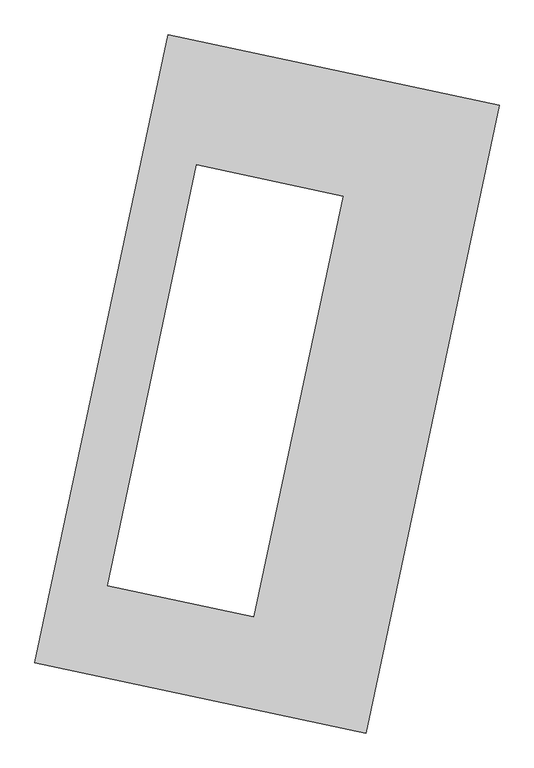
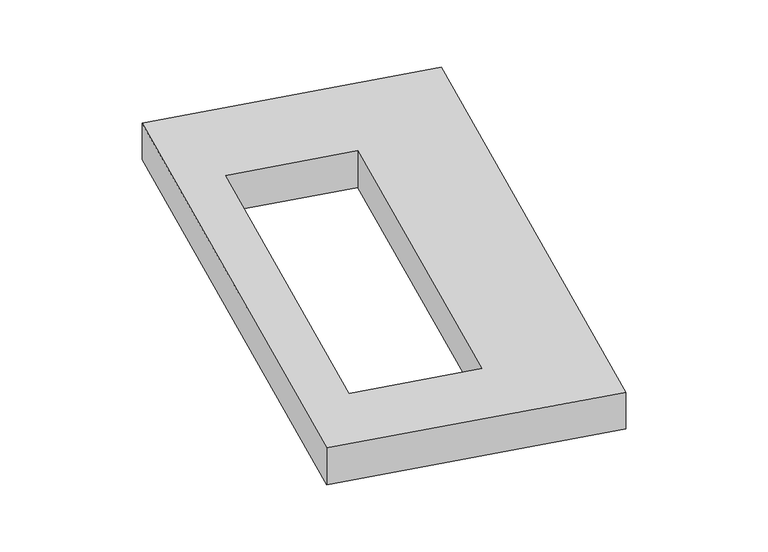
"""IFC4 building model written with IfcOpenShell, lengths in millimetres: proxy geometry."""

import ifcopenshell
import ifcopenshell.guid

model = None  # the IFC model being written
_history = None  # IfcOwnerHistory: only IFC2X3 demands one
_inside = {}  # id of a spatial element -> (the spatial element, [elements in it])
_under = {}  # id of a project, library or spatial element -> (it, [spatial elements below it])
_declared = {}  # id of a project -> (the project, [libraries it declares])
_typed = {}  # id of a type object -> (the type object, [elements of that type])
_made_of = {}  # id of a material, layer set ... -> (it, [elements and type objects made of it])


def new_model(schema):
    """Start an empty IFC model of exactly this schema.

    Asked for "IFC4X3", IfcOpenShell would pick the latest addendum, in which some entities
    have other attributes; the version numbers below select the first issue.
    IFC2X3 requires an IfcOwnerHistory on every rooted entity: one is made here for all.
    """
    global model, _history
    if schema == "IFC4X3":
        model = ifcopenshell.file(schema_version=(4, 3, 0, 0))
    else:
        model = ifcopenshell.file(schema=schema)
    _inside.clear()
    _under.clear()
    _declared.clear()
    _typed.clear()
    _made_of.clear()
    _history = None
    if model.schema == "IFC2X3":
        org = make("IfcOrganization", Name="unknown")
        user = make(
            "IfcPersonAndOrganization",
            ThePerson=make("IfcPerson", FamilyName="unknown"),
            TheOrganization=org,
        )
        app = make(
            "IfcApplication",
            ApplicationDeveloper=org,
            Version="unknown",
            ApplicationFullName="unknown",
            ApplicationIdentifier="unknown",
        )
        _history = make(
            "IfcOwnerHistory",
            OwningUser=user,
            OwningApplication=app,
            ChangeAction="ADDED",
            CreationDate=0,
        )
    return model


def make(cls, **values):
    """One entity of the class cls with the attributes given. An attribute that is None is left unset."""
    return model.create_entity(
        cls, **{name: value for name, value in values.items() if value is not None}
    )


def rooted(cls, **values):
    """An entity with a GlobalId (a new one), such as an element, a storey or a relation."""
    return make(cls, GlobalId=ifcopenshell.guid.new(), OwnerHistory=_history, **values)


def si_unit(unit_type, name, prefix=None):
    """IfcSIUnit, for example si_unit("LENGTHUNIT", "METRE", prefix="MILLI")."""
    return make("IfcSIUnit", UnitType=unit_type, Prefix=prefix, Name=name)


def assignment(units):
    """IfcUnitAssignment: the units of a project."""
    return None if units is None else make("IfcUnitAssignment", Units=units)


def point(xyz):
    """IfcCartesianPoint."""
    return None if xyz is None else make("IfcCartesianPoint", Coordinates=xyz)


def direction(xyz):
    """IfcDirection."""
    return None if xyz is None else make("IfcDirection", DirectionRatios=xyz)


def frame(location, z_axis=None, x_axis=None):
    """IfcAxis2Placement3D, a coordinate frame: its origin and axes. An axis left out is left unset."""
    return make(
        "IfcAxis2Placement3D",
        Location=point(location),
        Axis=direction(z_axis),
        RefDirection=direction(x_axis),
    )


def origin():
    """The frame at (0, 0, 0) with its axes left unset."""
    return frame((0.0, 0.0, 0.0))


def origin_with_axes():
    """The frame at (0, 0, 0) with the z axis (0, 0, 1) and the x axis (1, 0, 0) written out."""
    return frame((0.0, 0.0, 0.0), z_axis=(0.0, 0.0, 1.0), x_axis=(1.0, 0.0, 0.0))


def place(relative_to, where):
    """IfcLocalPlacement: puts the frame where relative to a parent placement (None: the world)."""
    return make(
        "IfcLocalPlacement", PlacementRelTo=relative_to, RelativePlacement=where
    )


def context(
    kind, dimensions, precision=None, world=None, true_north=None, identifier=None
):
    """IfcGeometricRepresentationContext, for example the 3D "Model" context."""
    return make(
        "IfcGeometricRepresentationContext",
        ContextIdentifier=identifier,
        ContextType=kind,
        CoordinateSpaceDimension=dimensions,
        Precision=precision,
        WorldCoordinateSystem=world,
        TrueNorth=true_north,
    )


def project(units=None, contexts=None):
    """IfcProject with its units and contexts."""
    return rooted(
        "IfcProject",
        Name="project",
        RepresentationContexts=contexts,
        UnitsInContext=assignment(units),
    )


def spatial(cls, under=None, at=None, **own):
    """A site, building, storey or space (cls), placed at a placement, below another one or the project."""
    s = rooted(cls, ObjectPlacement=at, **own)
    if under is not None:
        _under.setdefault(under.id(), (under, []))[1].append(s)
    return s


def polyline(points):
    """IfcPolyline through the points."""
    return make("IfcPolyline", Points=[point(p) for p in points])


def outline(outer, holes=None, kind="AREA"):
    """IfcArbitraryClosedProfileDef: a profile drawn as a closed curve; with holes, ...WithVoids."""
    if holes is None:
        return make("IfcArbitraryClosedProfileDef", ProfileType=kind, OuterCurve=outer)
    return make(
        "IfcArbitraryProfileDefWithVoids",
        ProfileType=kind,
        OuterCurve=outer,
        InnerCurves=holes,
    )


def extrude(swept, where, along, depth):
    """IfcExtrudedAreaSolid: the profile swept, set in the frame where, extruded along a direction by depth."""
    return make(
        "IfcExtrudedAreaSolid",
        SweptArea=swept,
        Position=where,
        ExtrudedDirection=direction(along),
        Depth=depth,
    )


def shape(context_of_items, identifier, shape_type, items):
    """IfcShapeRepresentation: the items that make up one representation, for example the "Body"."""
    return make(
        "IfcShapeRepresentation",
        ContextOfItems=context_of_items,
        RepresentationIdentifier=identifier,
        RepresentationType=shape_type,
        Items=items,
    )


def source(mapping_origin, context_of_items, identifier, shape_type, items):
    """IfcRepresentationMap: a shape defined once, which mapped items show again and again."""
    return make(
        "IfcRepresentationMap",
        MappingOrigin=mapping_origin,
        MappedRepresentation=shape(context_of_items, identifier, shape_type, items),
    )


def transform(
    local_origin,
    x_axis=None,
    y_axis=None,
    z_axis=None,
    scale=None,
    scale2=None,
    scale3=None,
    uniform=True,
):
    """IfcCartesianTransformationOperator3D, or its non-uniform kind. x_axis, y_axis, z_axis: its Axis1, 2, 3."""
    if uniform:
        return make(
            "IfcCartesianTransformationOperator3D",
            Axis1=direction(x_axis),
            Axis2=direction(y_axis),
            LocalOrigin=point(local_origin),
            Scale=scale,
            Axis3=direction(z_axis),
        )
    return make(
        "IfcCartesianTransformationOperator3DnonUniform",
        Axis1=direction(x_axis),
        Axis2=direction(y_axis),
        LocalOrigin=point(local_origin),
        Scale=scale,
        Axis3=direction(z_axis),
        Scale2=scale2,
        Scale3=scale3,
    )


def mapped(mapping_source, mapping_target):
    """IfcMappedItem: shows the shape of a source again, moved by a transform."""
    return make(
        "IfcMappedItem", MappingSource=mapping_source, MappingTarget=mapping_target
    )


def made_of(thing, what):
    """Note that an element or type object is made of a material, layer set ...; save() writes the relation."""
    if what is not None:
        _made_of.setdefault(what.id(), (what, []))[1].append(thing)
    return thing


def element(
    cls,
    number,
    at=None,
    inside=None,
    cuts=None,
    type_object=None,
    material=None,
    context=None,
    identifier="Body",
    shape_type=None,
    held_by="IfcProductDefinitionShape",
    body=None,
    shapes=None,
    **own,
):
    """One element of the class cls, such as IfcWall. Its Tag is "e" and its number.

    at: its placement. inside: the storey or other place that contains it. cuts: it is an
    opening in that element (IfcRelVoidsElement). A single representation is given by context,
    identifier, shape_type and body (its items); several are given by shapes. held_by: the class
    of the entity that holds the representations. save() writes the other relations.
    """
    e = rooted(cls, Tag="e%d" % number, ObjectPlacement=at, **own)
    if body is not None:
        shapes = [shape(context, identifier, shape_type, body)]
    if shapes is not None:
        e.Representation = make(held_by, Representations=shapes)
    if inside is not None:
        _inside.setdefault(inside.id(), (inside, []))[1].append(e)
    if cuts is not None:
        rooted(
            "IfcRelVoidsElement", RelatingBuildingElement=cuts, RelatedOpeningElement=e
        )
    if type_object is not None:
        _typed.setdefault(type_object.id(), (type_object, []))[1].append(e)
    return made_of(e, material)


def aggregate(whole, parts):
    """IfcRelAggregates: a whole, such as a stair, and the parts it consists of."""
    return rooted("IfcRelAggregates", RelatingObject=whole, RelatedObjects=parts)


def save(model, path):
    """Write the relations noted so far, then the file.

    IfcRelAggregates (storeys below a building ...), IfcRelContainedInSpatialStructure (elements
    in a storey), IfcRelDefinesByType, IfcRelAssociatesMaterial and IfcRelDeclares: one each for
    every whole, place, type object, material and project.
    """
    for whole, parts in _under.values():
        aggregate(whole, parts)
    for where, things in _inside.values():
        rooted(
            "IfcRelContainedInSpatialStructure",
            RelatedElements=things,
            RelatingStructure=where,
        )
    for kind, things in _typed.values():
        rooted("IfcRelDefinesByType", RelatedObjects=things, RelatingType=kind)
    for what, things in _made_of.values():
        rooted("IfcRelAssociatesMaterial", RelatedObjects=things, RelatingMaterial=what)
    for by, libraries in _declared.values():
        rooted("IfcRelDeclares", RelatingContext=by, RelatedDefinitions=libraries)
    model.write(path)


def generic_models_075c3dd7(model_context):
    return source(origin(), model_context, "Body", "SweptSolid", [
        extrude(outline(polyline([(-617.3692021, 2175.5580432), (1447.7508745, 1737.3010494), (617.3692021, -2175.5580432), (-1447.7508745, -1737.3010494), (-617.3692021, 2175.5580432)]), holes=[polyline([(474.3180867, 1171.5461541), (-438.5195252, 1365.2673193), (-995.2036129, -1257.8955787), (-82.366001, -1451.6167439), (474.3180867, 1171.5461541)])]), origin_with_axes(), (0.0, 0.0, 1.0), 300.0),
    ])


if __name__ == "__main__":
    model = new_model("IFC4")
    model_context = context("Model", 3, world=origin())
    ifc_project = project(units=[si_unit("LENGTHUNIT", "METRE", prefix="MILLI")], contexts=[model_context])
    site = spatial("IfcSite", under=ifc_project)
    building = spatial("IfcBuilding", under=site)
    placement = place(None, origin())
    generic_models_shape = generic_models_075c3dd7(model_context)
    element("IfcBuildingElementProxy", 1, Name="Generic Models", at=placement, inside=building, context=model_context, shape_type="MappedRepresentation", body=[
        mapped(generic_models_shape, transform((0.0, 0.0, 0.0), x_axis=(1.0, 0.0, 0.0), y_axis=(0.0, 1.0, 0.0), z_axis=(0.0, 0.0, 1.0))),
    ])
    save(model, "model.ifc")
